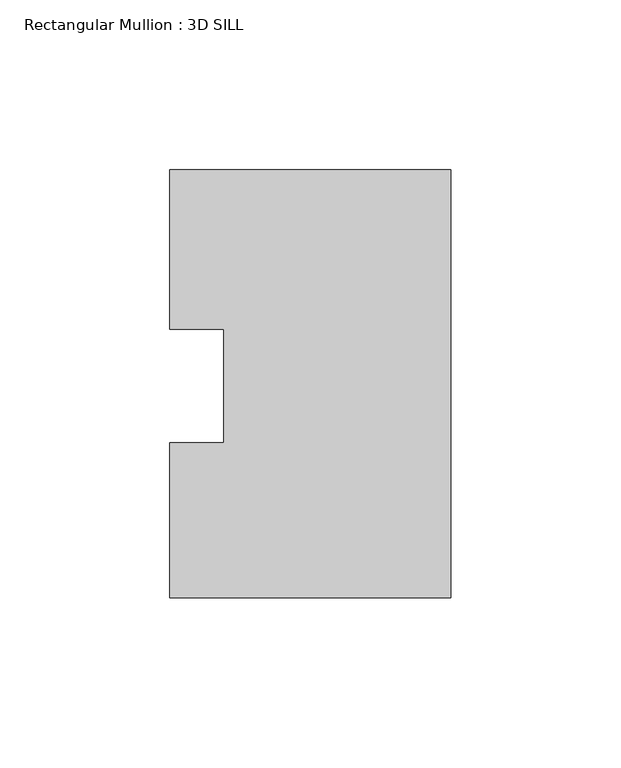
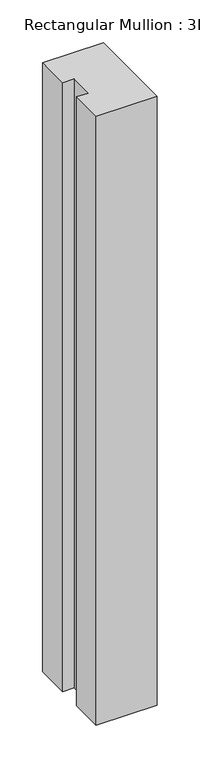
"""IFC4 building model written with IfcOpenShell, lengths in millimetres: member geometry, Rectangular Mullion : 3D SILL."""

from ifc_helpers import new_model, si_unit, frame, origin, place, context, project, spatial, polyline, outline, extrude, source, transform, mapped, element, save


def rectangular_mullion_3d_sill_2ebbc494(model_context):
    return source(origin(), model_context, "Body", "SweptSolid", [
        extrude(outline(polyline([(-82.5548917, 16.7234075), (-82.5548917, 63.5107262), (0.0, 63.5107262), (0.0, -62.2700738), (-82.5548917, -62.2700738), (-82.5548917, -16.7234075), (-66.6798917, -16.7234075), (-66.6798917, 16.7234075), (-82.5548917, 16.7234075)])), frame((0.0, 0.0, -870.3818097), z_axis=(0.0, 0.0, 1.0), x_axis=(1.0, 0.0, 0.0)), (0.0, 0.0, 1.0), 870.3818097),
    ])


if __name__ == "__main__":
    model = new_model("IFC4")
    model_context = context("Model", 3, world=origin())
    ifc_project = project(units=[si_unit("LENGTHUNIT", "METRE", prefix="MILLI")], contexts=[model_context])
    site = spatial("IfcSite", under=ifc_project)
    building = spatial("IfcBuilding", under=site)
    placement = place(None, origin())
    rectangular_mullion_3d_sill_shape = rectangular_mullion_3d_sill_2ebbc494(model_context)
    element("IfcMember", 1, ObjectType="Rectangular Mullion : 3D SILL", at=placement, inside=building, context=model_context, shape_type="MappedRepresentation", body=[
        mapped(rectangular_mullion_3d_sill_shape, transform((0.0, 0.0, 0.0), x_axis=(1.0, 0.0, 0.0), y_axis=(0.0, 1.0, 0.0), z_axis=(0.0, 0.0, 1.0))),
    ])
    save(model, "model.ifc")
